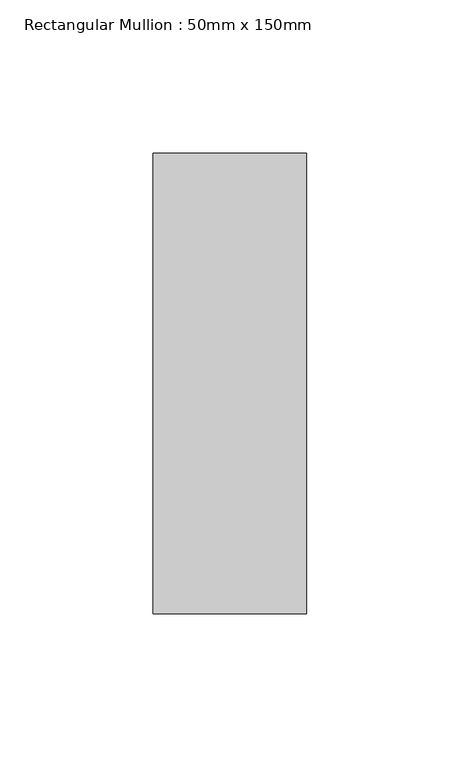
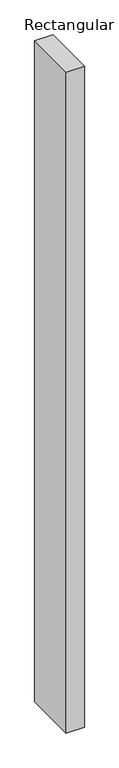
"""IFC4 building model written with IfcOpenShell, lengths in millimetres: member geometry, Rectangular Mullion : 50mm x 150mm."""

from ifc_helpers import new_model, si_unit, frame, origin, place, context, project, spatial, polyline, outline, extrude, source, transform, mapped, element, save


def rectangular_mullion_50mm_x_150mm_9d5f7365(model_context):
    return source(origin(), model_context, "Body", "SweptSolid", [
        extrude(outline(polyline([(0.0, 75.0), (0.0, -75.0), (-50.0, -75.0), (-50.0, 75.0), (0.0, 75.0)])), frame((0.0, 0.0, -1923.5294497), z_axis=(0.0, 0.0, 1.0), x_axis=(1.0, 0.0, 0.0)), (0.0, 0.0, 1.0), 1923.5294497),
    ])


if __name__ == "__main__":
    model = new_model("IFC4")
    model_context = context("Model", 3, world=origin())
    ifc_project = project(units=[si_unit("LENGTHUNIT", "METRE", prefix="MILLI")], contexts=[model_context])
    site = spatial("IfcSite", under=ifc_project)
    building = spatial("IfcBuilding", under=site)
    placement = place(None, origin())
    rectangular_mullion_50mm_x_150mm_shape = rectangular_mullion_50mm_x_150mm_9d5f7365(model_context)
    element("IfcMember", 1, ObjectType="Rectangular Mullion : 50mm x 150mm", at=placement, inside=building, context=model_context, shape_type="MappedRepresentation", body=[
        mapped(rectangular_mullion_50mm_x_150mm_shape, transform((0.0, 0.0, 0.0), x_axis=(1.0, 0.0, 0.0), y_axis=(0.0, 1.0, 0.0), z_axis=(0.0, 0.0, 1.0))),
    ])
    save(model, "model.ifc")
